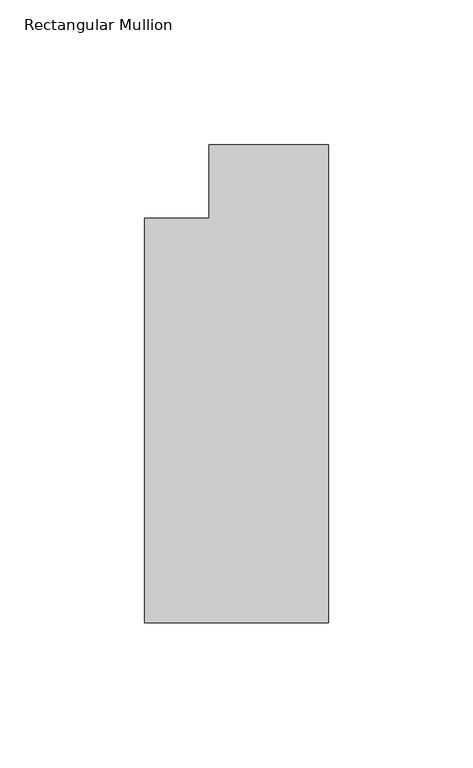
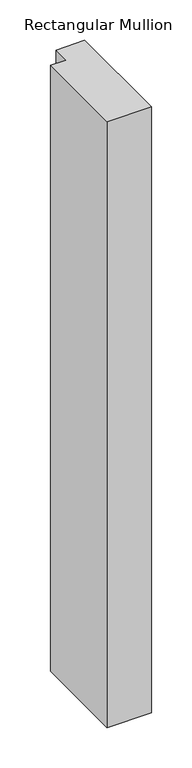
"""IFC4 building model written with IfcOpenShell, lengths in millimetres: member geometry, Rectangular Mullion."""

from ifc_helpers import new_model, si_unit, frame, origin, place, context, project, spatial, polyline, outline, extrude, source, transform, mapped, element, save


def rectangular_mullion_ff1e187a(model_context):
    return source(origin(), model_context, "Body", "SweptSolid", [
        extrude(outline(polyline([(-19.2668749, -165.1475352), (-82.7668749, -165.1475352), (-82.7668749, -25.4475402), (-60.5418749, -25.4475402), (-60.5418749, -0.0475402), (-19.2668749, -0.0475402), (-19.2668749, -165.1475352)])), frame((0.0, 0.0, -914.4), z_axis=(0.0, 0.0, 1.0), x_axis=(1.0, 0.0, 0.0)), (0.0, 0.0, 1.0), 914.4),
    ])


if __name__ == "__main__":
    model = new_model("IFC4")
    model_context = context("Model", 3, world=origin())
    ifc_project = project(units=[si_unit("LENGTHUNIT", "METRE", prefix="MILLI")], contexts=[model_context])
    site = spatial("IfcSite", under=ifc_project)
    building = spatial("IfcBuilding", under=site)
    placement = place(None, origin())
    rectangular_mullion_shape = rectangular_mullion_ff1e187a(model_context)
    element("IfcMember", 1, ObjectType="Rectangular Mullion", at=placement, inside=building, context=model_context, shape_type="MappedRepresentation", body=[
        mapped(rectangular_mullion_shape, transform((0.0, 0.0, 0.0), x_axis=(1.0, 0.0, 0.0), y_axis=(0.0, 1.0, 0.0), z_axis=(0.0, 0.0, 1.0))),
    ])
    save(model, "model.ifc")
